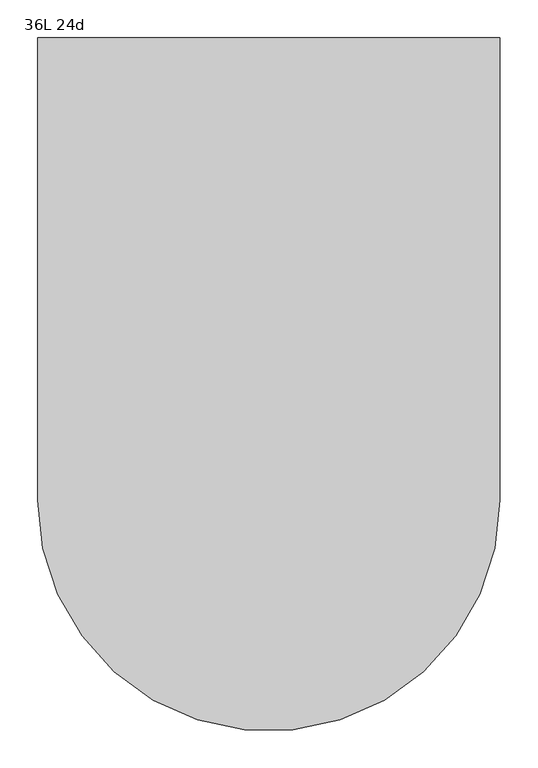
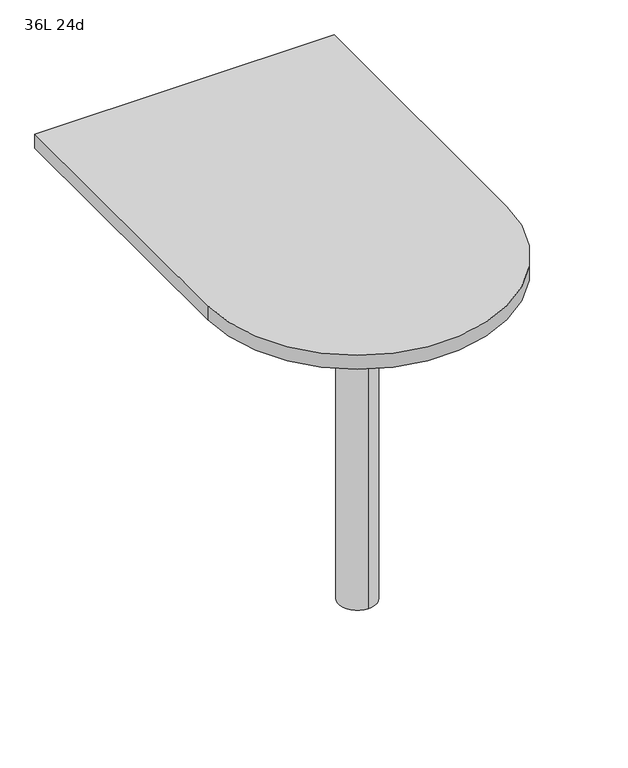
"""IFC4 building model written with IfcOpenShell, lengths in millimetres: furniture geometry, 36L 24d."""

from ifc_helpers import new_model, si_unit, point, frame, frame_2d, origin, place, context, project, spatial, polyline, circle_curve, trimmed, segment, composite_curve, outline, extrude, source, transform, mapped, element, save
from ifc_brep_helpers import plane_surface, cylinder_surface, advanced_brep


def furniture_36l_24d_dac1dd12(model_context):
    return source(origin(), model_context, "Body", "SolidModel", [
        advanced_brep(
        [(0.0, -114.3, 706.4375), (0.0, -190.5, 706.4375), (0.0, -152.4, 706.4375), (0.0, -114.3, 0.0), (0.0, -190.5, 0.0), (0.0, -152.4, 0.0)],
        [
            (0, 1, circle_curve(frame((0.0, -152.4, 706.4375), z_axis=(0.0, 0.0, 1.0), x_axis=(0.0, -1.0, 0.0)), 38.1)),
            (1, 2),
            (2, 0),
            (1, 0, circle_curve(frame((0.0, -152.4, 706.4375), z_axis=(0.0, 0.0, 1.0), x_axis=(0.0, -1.0, 0.0)), 38.1)),
            (3, 4, circle_curve(frame((0.0, -152.4, 0.0), z_axis=(0.0, 0.0, 1.0), x_axis=(0.0, -1.0, 0.0)), 38.1)),
            (4, 1),
            (0, 3),
            (4, 3, circle_curve(frame((0.0, -152.4, 0.0), z_axis=(0.0, 0.0, 1.0), x_axis=(0.0, -1.0, 0.0)), 38.1)),
            (5, 4),
            (3, 5),
        ],
        [
            plane_surface(frame((0.0, -152.4, 706.4375), z_axis=(0.0, 0.0, 1.0), x_axis=(0.0, -1.0, 0.0))),
            cylinder_surface(frame((0.0, -152.4, 889.623257), z_axis=(0.0, 0.0, -1.0), x_axis=(0.0, -1.0, 0.0)), 38.1),
            plane_surface(frame((0.0, -152.4, 0.0), z_axis=(0.0, 0.0, -1.0), x_axis=(0.0, -1.0, 0.0))),
        ],
        [
            (0, [[1, 2, 3]]),
            (0, [[4, -3, -2]]),
            (1, [[5, 6, -1, 7]]),
            (1, [[8, -7, -4, -6]]),
            (2, [[9, -5, 10]]),
            (2, [[-10, -8, -9]]),
        ],
    ),
        extrude(outline(composite_curve([segment(polyline([(-304.8, -152.4), (-304.8, 457.2), (304.8, 457.2), (304.8, -152.4)]), True, "CONTINUOUS"), segment(trimmed(circle_curve(frame_2d((0.0, -152.4)), 304.8), [point((304.8, -152.4))], [point((-304.8, -152.4))], False, "CARTESIAN"), True, "CONTINUOUS")], self_intersect=False)), frame((0.0, 0.0, 706.4375), z_axis=(0.0, 0.0, 1.0), x_axis=(1.0, 0.0, 0.0)), (0.0, 0.0, 1.0), 30.1625),
    ])


if __name__ == "__main__":
    model = new_model("IFC4")
    model_context = context("Model", 3, world=origin())
    ifc_project = project(units=[si_unit("LENGTHUNIT", "METRE", prefix="MILLI")], contexts=[model_context])
    site = spatial("IfcSite", under=ifc_project)
    building = spatial("IfcBuilding", under=site)
    placement = place(None, origin())
    furniture_36l_24d_shape = furniture_36l_24d_dac1dd12(model_context)
    element("IfcFurniture", 1, ObjectType="36L 24d", at=placement, inside=building, context=model_context, shape_type="MappedRepresentation", body=[
        mapped(furniture_36l_24d_shape, transform((0.0, 0.0, 0.0), x_axis=(1.0, 0.0, 0.0), y_axis=(0.0, 1.0, 0.0), z_axis=(0.0, 0.0, 1.0))),
    ])
    save(model, "model.ifc")
